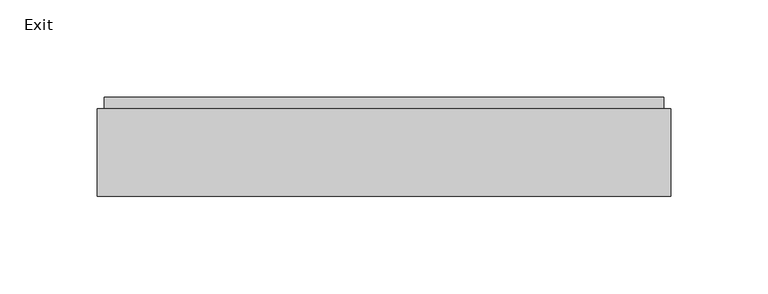
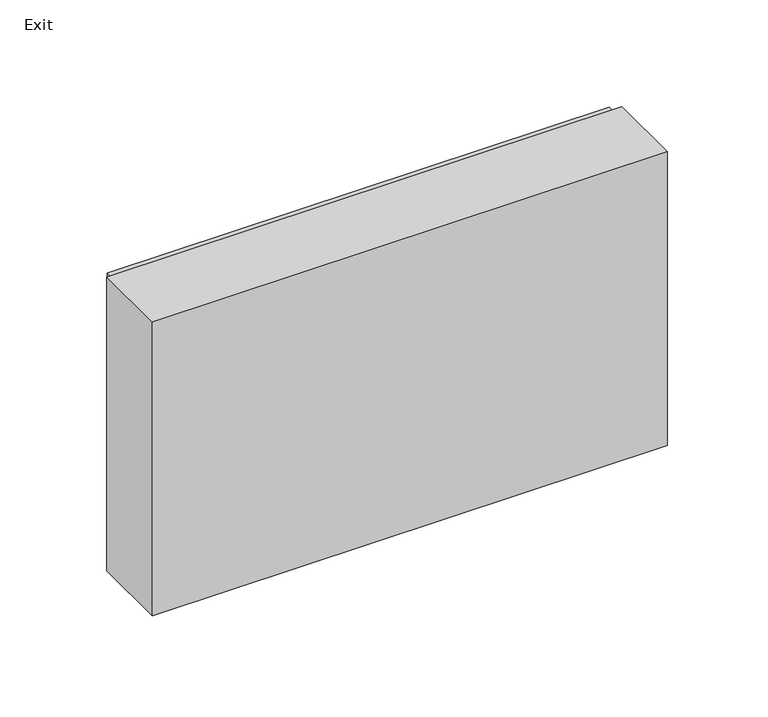
"""IFC4 building model written with IfcOpenShell, lengths in millimetres: light fixture geometry, Exit."""

from ifc_helpers import new_model, si_unit, point, frame, frame_2d, origin, place, context, project, spatial, polyline, circle_curve, trimmed, segment, composite_curve, outline, extrude, source, transform, mapped, element, save


def exit_97233e38(model_context):
    return source(origin(), model_context, "Body", "SweptSolid", [
        extrude(outline(polyline([(-22.5, 45.0), (272.5, 45.0), (272.5, 0.0), (-22.5, 0.0), (-22.5, 45.0)])), frame((0.0, 0.0, 1711.0), z_axis=(0.0, 0.0, 1.0), x_axis=(1.0, 0.0, 0.0)), (0.0, 0.0, 1.0), 178.0),
        extrude(outline(composite_curve([segment(trimmed(circle_curve(frame_2d((1842.5382951, 192.8544593)), 13.0), [point((1842.5382951, 179.8544593))], [point((1842.5382951, 205.8544593))], False, "CARTESIAN"), True, "CONTINUOUS"), segment(trimmed(circle_curve(frame_2d((1842.5382951, 192.8544593)), 13.0), [point((1842.5382951, 205.8544593))], [point((1842.5382951, 179.8544593))], False, "CARTESIAN"), True, "CONTINUOUS")], self_intersect=False)), frame((0.0, 45.0, 0.0), z_axis=(0.0, 1.0, 0.0), x_axis=(0.0, 0.0, 1.0)), (0.0, 0.0, 1.0), 6.0),
        extrude(outline(polyline([(1806.6023038, 177.0232796), (1806.6023038, 162.6123637), (1795.6023038, 162.6123637), (1795.6023038, 188.6123637), (1813.141173, 188.6123637), (1813.7415976, 189.2127883), (1786.0550088, 206.5132891), (1740.4579423, 175.7576794), (1734.6374808, 185.4445541), (1779.1356317, 215.4589358), (1750.1015179, 215.4589358), (1750.1015179, 249.1079391), (1761.1015179, 249.1079391), (1761.1015179, 226.4589358), (1791.1015179, 226.4589358), (1818.2655739, 212.618158), (1818.2655739, 225.1323433), (1801.8045984, 235.0230953), (1807.8611133, 244.7155451), (1829.5382951, 231.1701386), (1829.5382951, 192.8601632), (1818.8561822, 177.0232796), (1806.6023038, 177.0232796)])), frame((0.0, 45.0, 0.0), z_axis=(0.0, 1.0, 0.0), x_axis=(0.0, 0.0, 1.0)), (0.0, 0.0, 1.0), 6.0),
        extrude(outline(polyline([(1886.5, 268.8582677), (1886.5, -18.8582677), (1713.5, -18.8582677), (1713.5, 268.8582677), (1886.5, 268.8582677)]), holes=[polyline([(1860.6259983, 249.1079391), (1728.6259983, 249.1079391), (1728.6259983, 162.6123637), (1860.6259983, 162.6123637), (1860.6259983, 249.1079391)]), polyline([(1770.6372015, 107.0592288), (1770.6372015, 135.0572103), (1784.4457115, 135.0572103), (1784.4457115, 110.0572103), (1792.7702269, 110.0572103), (1792.7702269, 135.0572103), (1804.200986, 135.0572103), (1804.200986, 108.0190604), (1812.5852938, 108.0190604), (1812.5852938, 145.4694736), (1761.9965361, 145.4694736), (1761.9965361, 107.0592288), (1770.6372015, 107.0592288)]), polyline([(1761.9965361, 91.4689594), (1779.6298626, 80.2046676), (1761.9965361, 68.9403757), (1761.9965361, 56.6124433), (1788.5436114, 73.9935023), (1812.7081666, 58.336611), (1812.7081666, 70.2665105), (1796.8065612, 80.2046676), (1812.7081666, 90.1428246), (1812.7081666, 102.0727241), (1788.5436114, 86.4158328), (1761.9965361, 103.7968918), (1761.9965361, 91.4689594)]), polyline([(1761.9965361, 51.9702514), (1761.9965361, 41.6286178), (1812.5852938, 41.6286178), (1812.5852938, 51.9702514), (1761.9965361, 51.9702514)]), polyline([(1761.9965361, 20.166948), (1761.9965361, 9.9365147), (1804.200986, 9.9365147), (1804.200986, -4.741933), (1812.7081666, -4.741933), (1812.7081666, 35.1789968), (1804.200986, 35.1789968), (1804.200986, 20.166948), (1761.9965361, 20.166948)])]), frame((0.0, 45.0, 0.0), z_axis=(0.0, 1.0, 0.0), x_axis=(0.0, 0.0, 1.0)), (0.0, 0.0, 1.0), 6.0),
        extrude(outline(composite_curve([segment(trimmed(circle_curve(frame_2d((1842.5382951, 192.8544593)), 13.0), [point((1842.5382951, 179.8544593))], [point((1842.5382951, 205.8544593))], False, "CARTESIAN"), True, "CONTINUOUS"), segment(trimmed(circle_curve(frame_2d((1842.5382951, 192.8544593)), 13.0), [point((1842.5382951, 205.8544593))], [point((1842.5382951, 179.8544593))], False, "CARTESIAN"), True, "CONTINUOUS")], self_intersect=False)), frame((0.0, 45.0, 0.0), z_axis=(0.0, 1.0, 0.0), x_axis=(0.0, 0.0, 1.0)), (0.0, 0.0, 1.0), 6.0),
        extrude(outline(polyline([(1806.6023038, 177.0232796), (1806.6023038, 162.6123637), (1795.6023038, 162.6123637), (1795.6023038, 188.6123637), (1813.141173, 188.6123637), (1813.7415976, 189.2127883), (1786.0550088, 206.5132891), (1740.4579423, 175.7576794), (1734.6374808, 185.4445541), (1779.1356317, 215.4589358), (1750.1015179, 215.4589358), (1750.1015179, 249.1079391), (1761.1015179, 249.1079391), (1761.1015179, 226.4589358), (1791.1015179, 226.4589358), (1818.2655739, 212.618158), (1818.2655739, 225.1323433), (1801.8045984, 235.0230953), (1807.8611133, 244.7155451), (1829.5382951, 231.1701386), (1829.5382951, 192.8601632), (1818.8561822, 177.0232796), (1806.6023038, 177.0232796)])), frame((0.0, 45.0, 0.0), z_axis=(0.0, 1.0, 0.0), x_axis=(0.0, 0.0, 1.0)), (0.0, 0.0, 1.0), 6.0),
        extrude(outline(composite_curve([segment(trimmed(circle_curve(frame_2d((1842.5382951, 192.8544593)), 13.0), [point((1842.5382951, 179.8544593))], [point((1842.5382951, 205.8544593))], False, "CARTESIAN"), True, "CONTINUOUS"), segment(trimmed(circle_curve(frame_2d((1842.5382951, 192.8544593)), 13.0), [point((1842.5382951, 205.8544593))], [point((1842.5382951, 179.8544593))], False, "CARTESIAN"), True, "CONTINUOUS")], self_intersect=False)), frame((0.0, 45.0, 0.0), z_axis=(0.0, 1.0, 0.0), x_axis=(0.0, 0.0, 1.0)), (0.0, 0.0, 1.0), 6.0),
        extrude(outline(polyline([(1806.6023038, 177.0232796), (1806.6023038, 162.6123637), (1795.6023038, 162.6123637), (1795.6023038, 188.6123637), (1813.141173, 188.6123637), (1813.7415976, 189.2127883), (1786.0550088, 206.5132891), (1740.4579423, 175.7576794), (1734.6374808, 185.4445541), (1779.1356317, 215.4589358), (1750.1015179, 215.4589358), (1750.1015179, 249.1079391), (1761.1015179, 249.1079391), (1761.1015179, 226.4589358), (1791.1015179, 226.4589358), (1818.2655739, 212.618158), (1818.2655739, 225.1323433), (1801.8045984, 235.0230953), (1807.8611133, 244.7155451), (1829.5382951, 231.1701386), (1829.5382951, 192.8601632), (1818.8561822, 177.0232796), (1806.6023038, 177.0232796)])), frame((0.0, 45.0, 0.0), z_axis=(0.0, 1.0, 0.0), x_axis=(0.0, 0.0, 1.0)), (0.0, 0.0, 1.0), 6.0),
    ])


if __name__ == "__main__":
    model = new_model("IFC4")
    model_context = context("Model", 3, world=origin())
    ifc_project = project(units=[si_unit("LENGTHUNIT", "METRE", prefix="MILLI")], contexts=[model_context])
    site = spatial("IfcSite", under=ifc_project)
    building = spatial("IfcBuilding", under=site)
    placement = place(None, origin())
    ifc_exit_shape = exit_97233e38(model_context)
    element("IfcLightFixture", 1, ObjectType="Exit", at=placement, inside=building, context=model_context, shape_type="MappedRepresentation", body=[
        mapped(ifc_exit_shape, transform((0.0, 0.0, 0.0), x_axis=(1.0, 0.0, 0.0), y_axis=(0.0, 1.0, 0.0), z_axis=(0.0, 0.0, 1.0))),
    ])
    save(model, "model.ifc")
